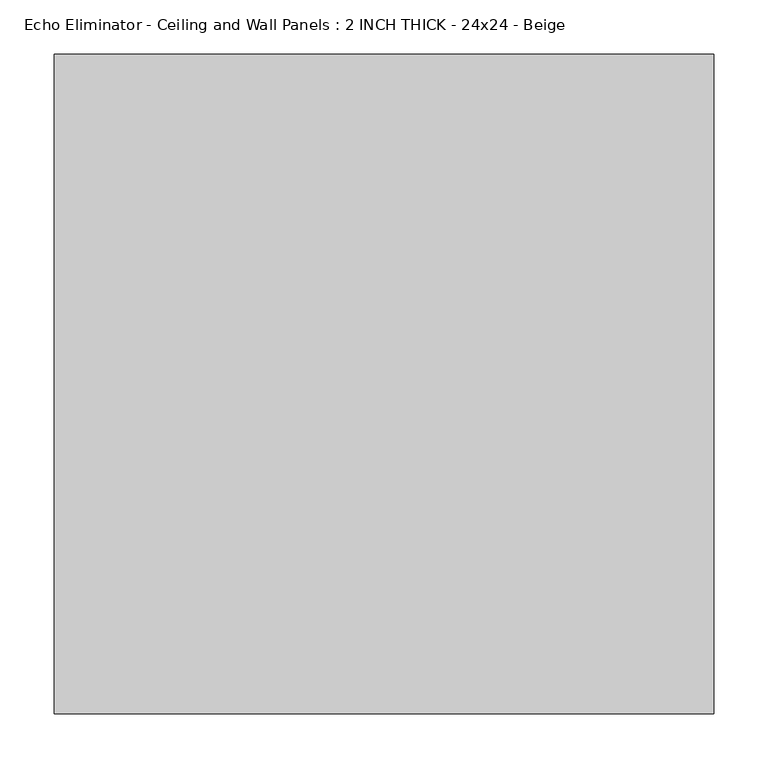
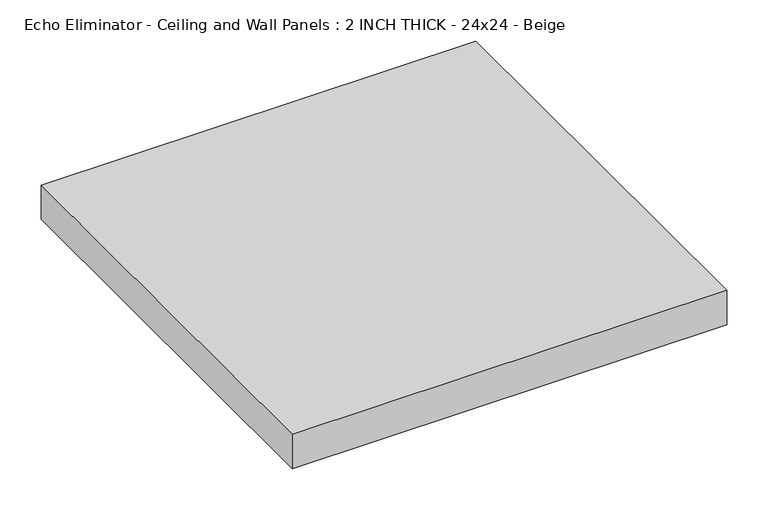
"""IFC4 building model written with IfcOpenShell, lengths in millimetres: proxy geometry, Echo Eliminator - Ceiling and Wall Panels : 2 INCH THICK - 24x24 - Beige."""

from ifc_helpers import new_model, si_unit, origin, origin_with_axes, place, context, project, spatial, polyline, outline, extrude, source, transform, mapped, element, save


def echo_eliminator_ceiling_and_wall_panels_2_inch_thick_24x24_6957a6ce(model_context):
    return source(origin(), model_context, "Body", "SweptSolid", [
        extrude(outline(polyline([(-304.8, 304.8), (304.8, 304.8), (304.8, -304.8), (-304.8, -304.8), (-304.8, 304.8)])), origin_with_axes(), (0.0, 0.0, 1.0), 50.8),
    ])


if __name__ == "__main__":
    model = new_model("IFC4")
    model_context = context("Model", 3, world=origin())
    ifc_project = project(units=[si_unit("LENGTHUNIT", "METRE", prefix="MILLI")], contexts=[model_context])
    site = spatial("IfcSite", under=ifc_project)
    building = spatial("IfcBuilding", under=site)
    placement = place(None, origin())
    echo_eliminator_ceiling_and_wall_panels_2_inch_thick_24x24_shape = echo_eliminator_ceiling_and_wall_panels_2_inch_thick_24x24_6957a6ce(model_context)
    element("IfcBuildingElementProxy", 1, Name="Echo Eliminator - Ceiling and Wall Panels : 2 INCH THICK - 24x24 - Beige", ObjectType="Echo Eliminator - Ceiling and Wall Panels : 2 INCH THICK - 24x24 - Beige", at=placement, inside=building, context=model_context, shape_type="MappedRepresentation", body=[
        mapped(echo_eliminator_ceiling_and_wall_panels_2_inch_thick_24x24_shape, transform((0.0, 0.0, 0.0), x_axis=(1.0, 0.0, 0.0), y_axis=(0.0, 1.0, 0.0), z_axis=(0.0, 0.0, 1.0))),
    ])
    save(model, "model.ifc")
